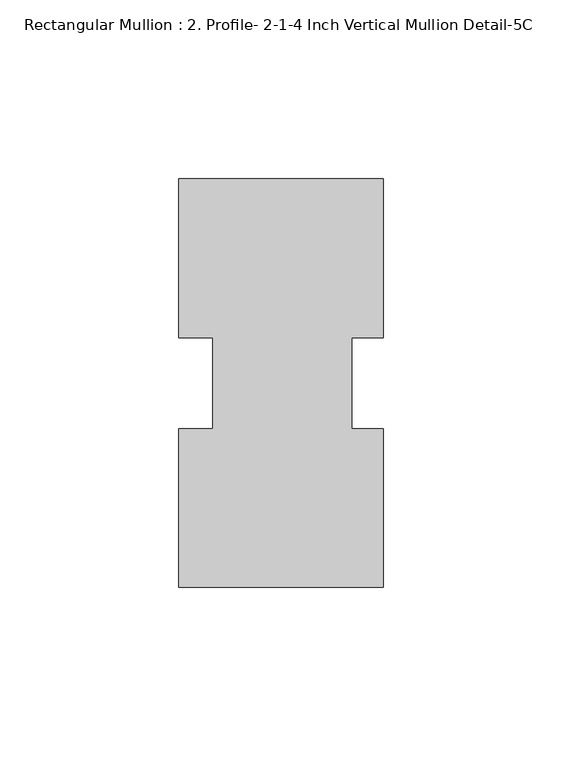
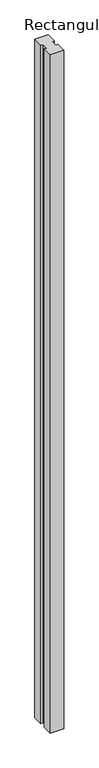
"""IFC4 building model written with IfcOpenShell, lengths in millimetres: member geometry, Rectangular Mullion : 2. Profile- 2-1-4 Inch Vertical Mullion Detail-5C."""

from ifc_helpers import new_model, si_unit, frame, origin, place, context, project, spatial, polyline, outline, extrude, source, transform, mapped, element, save


def rectangular_mullion_2_profile_2_1_4_inch_vertical_mullion_15b39a1f(model_context):
    return source(origin(), model_context, "Body", "SweptSolid", [
        extrude(outline(polyline([(-31.5706924, 57.161217), (25.5793076, 57.161217), (25.5793076, 12.7438492), (16.8480576, 12.7438492), (16.8480576, -12.7438492), (25.5793076, -12.7438492), (25.5793076, -57.138783), (-31.5706924, -57.138783), (-31.5706924, -12.7438492), (-22.0456924, -12.7438492), (-22.0456924, 12.7438492), (-31.5706924, 12.7438492), (-31.5706924, 57.161217)])), frame((0.0, 0.0, -3048.0), z_axis=(0.0, 0.0, 1.0), x_axis=(1.0, 0.0, 0.0)), (0.0, 0.0, 1.0), 3048.0),
    ])


if __name__ == "__main__":
    model = new_model("IFC4")
    model_context = context("Model", 3, world=origin())
    ifc_project = project(units=[si_unit("LENGTHUNIT", "METRE", prefix="MILLI")], contexts=[model_context])
    site = spatial("IfcSite", under=ifc_project)
    building = spatial("IfcBuilding", under=site)
    placement = place(None, origin())
    rectangular_mullion_2_profile_2_1_4_inch_vertical_mullion_shape = rectangular_mullion_2_profile_2_1_4_inch_vertical_mullion_15b39a1f(model_context)
    element("IfcMember", 1, ObjectType="Rectangular Mullion : 2. Profile- 2-1-4 Inch Vertical Mullion Detail-5C", at=placement, inside=building, context=model_context, shape_type="MappedRepresentation", body=[
        mapped(rectangular_mullion_2_profile_2_1_4_inch_vertical_mullion_shape, transform((0.0, 0.0, 0.0), x_axis=(1.0, 0.0, 0.0), y_axis=(0.0, 1.0, 0.0), z_axis=(0.0, 0.0, 1.0))),
    ])
    save(model, "model.ifc")
